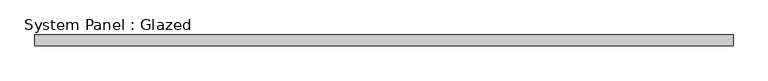
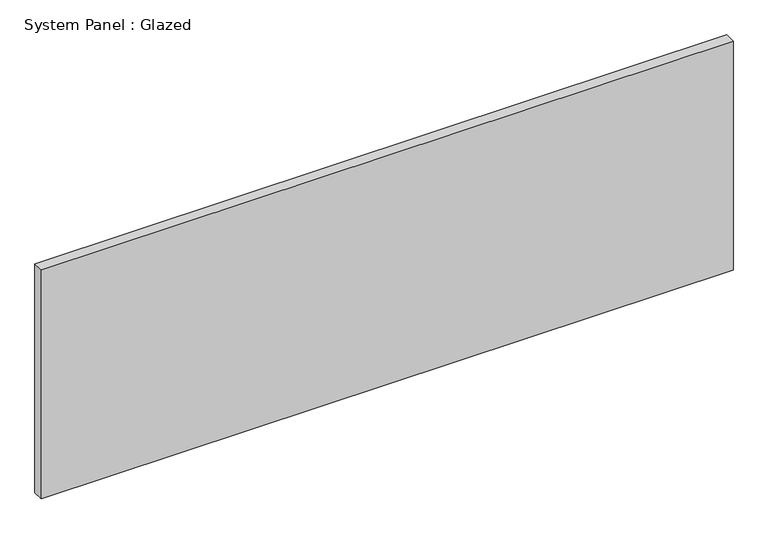
"""IFC4 building model written with IfcOpenShell, lengths in millimetres: plate geometry, System Panel : Glazed."""

from ifc_helpers import new_model, si_unit, origin, origin_with_axes, place, context, project, spatial, polyline, outline, extrude, source, transform, mapped, element, save


def system_panel_glazed_146e659f(model_context):
    return source(origin(), model_context, "Body", "SweptSolid", [
        extrude(outline(polyline([(796.6455623, 24.5), (-796.6455623, 24.5), (-796.6455623, 49.5), (796.6455623, 49.5), (796.6455623, 24.5)])), origin_with_axes(), (0.0, 0.0, 1.0), 557.4833333),
    ])


if __name__ == "__main__":
    model = new_model("IFC4")
    model_context = context("Model", 3, world=origin())
    ifc_project = project(units=[si_unit("LENGTHUNIT", "METRE", prefix="MILLI")], contexts=[model_context])
    site = spatial("IfcSite", under=ifc_project)
    building = spatial("IfcBuilding", under=site)
    placement = place(None, origin())
    system_panel_glazed_shape = system_panel_glazed_146e659f(model_context)
    element("IfcPlate", 1, ObjectType="System Panel : Glazed", at=placement, inside=building, context=model_context, shape_type="MappedRepresentation", body=[
        mapped(system_panel_glazed_shape, transform((0.0, 0.0, 0.0), x_axis=(1.0, 0.0, 0.0), y_axis=(0.0, 1.0, 0.0), z_axis=(0.0, 0.0, 1.0))),
    ])
    save(model, "model.ifc")
